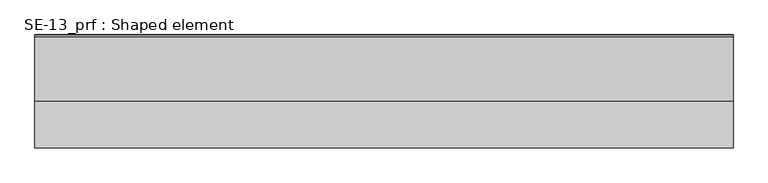
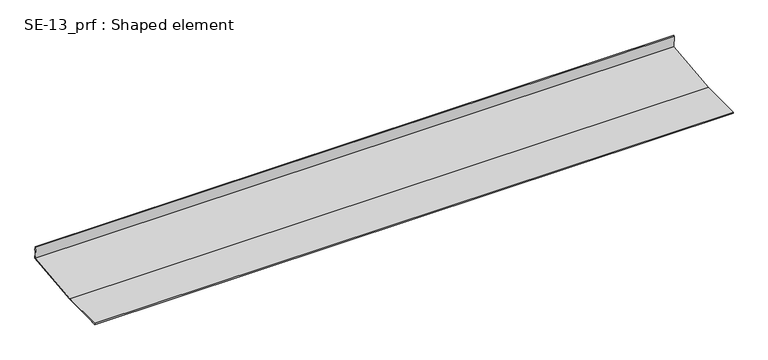
"""IFC4 building model written with IfcOpenShell, lengths in millimetres: proxy geometry, SE-13_prf : Shaped element."""

from ifc_helpers import new_model, si_unit, frame, origin, place, context, project, spatial, polyline, outline, extrude, source, transform, mapped, element, save


def se_13_prf_shaped_element_018cbd10(model_context):
    return source(origin(), model_context, "Body", "SweptSolid", [
        extrude(outline(polyline([(-79.6143794, 3.0), (-79.6143794, 2.0), (-69.6143794, 2.0), (-69.6143794, 1.0), (-80.6143794, 1.0), (-80.6143794, 4.0), (20.3332128, 4.0), (161.5553219, 18.8430418), (158.5239965, 47.6841767), (161.5075622, 47.9977621), (162.5528468, 38.0525432), (161.5583249, 37.9480147), (160.6175688, 46.8987118), (159.6230469, 46.7941833), (162.6543723, 17.9530484), (20.3856206, 3.0), (-79.6143794, 3.0)])), frame((0.0, 0.0, 0.0), z_axis=(1.0, 0.0, 0.0), x_axis=(0.0, 1.0, 0.0)), (0.0, 0.0, 1.0), 1500.0),
    ])


if __name__ == "__main__":
    model = new_model("IFC4")
    model_context = context("Model", 3, world=origin())
    ifc_project = project(units=[si_unit("LENGTHUNIT", "METRE", prefix="MILLI")], contexts=[model_context])
    site = spatial("IfcSite", under=ifc_project)
    building = spatial("IfcBuilding", under=site)
    placement = place(None, origin())
    se_13_prf_shaped_element_shape = se_13_prf_shaped_element_018cbd10(model_context)
    element("IfcBuildingElementProxy", 1, Name="SE-13_prf : Shaped element", ObjectType="SE-13_prf : Shaped element", at=placement, inside=building, context=model_context, shape_type="MappedRepresentation", body=[
        mapped(se_13_prf_shaped_element_shape, transform((0.0, 0.0, 0.0), x_axis=(1.0, 0.0, 0.0), y_axis=(0.0, 1.0, 0.0), z_axis=(0.0, 0.0, 1.0))),
    ])
    save(model, "model.ifc")
